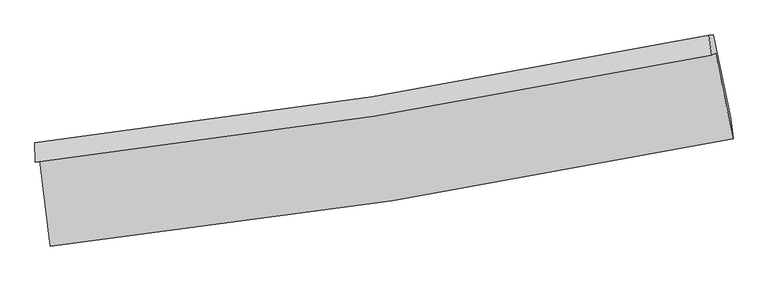
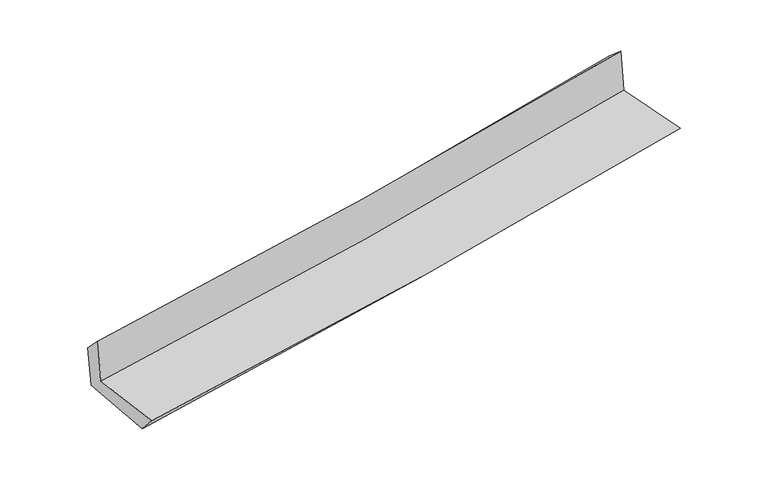
"""IFC4 building model written with IfcOpenShell, lengths in millimetres: proxy geometry."""

from ifc_helpers import new_model, si_unit, frame, origin, place, context, project, spatial, source, transform, mapped, element, save
from ifc_brep_helpers import plane_surface, spline_curve, spline_surface, advanced_brep


def generic_models_3633da69(model_context):
    return source(origin(), model_context, "Body", "AdvancedBrep", [
        advanced_brep(
        [(-2612.6505309, -1891.8571781, 1671.9089814), (-2534.0618765, -2547.6997019, 1665.0259046), (2692.8163699, -1725.4305657, 2119.2225984), (2558.5484526, -1073.770672, 2132.3073186), (-2647.1581754, -1907.03575, 2073.7515038), (2524.9662635, -1088.542172, 2523.372886), (-2651.1085243, -1757.1396898, 1920.2686014), (2506.4941006, -936.287856, 2388.6059122), (-2618.1816608, -1752.6964058, 1550.0426029), (2539.3037164, -931.8404052, 2028.3180641), (-2536.5614966, -2405.2060345, 1505.2270862), (2673.3884349, -1570.4650525, 1988.7538678)],
        [
            (0, 1),
            (1, 2, spline_curve(3, [(-2534.0618765, -2547.6997019, 1665.0259046), (-1658.433454933, -2452.745552269, 1746.35385358), (-785.811933264, -2336.904419853, 1824.805638932), (956.502186946, -2062.963160082, 1976.224978641), (1826.173413865, -1904.714580334, 2049.172091457), (2692.8163699, -1725.4305657, 2119.2225984)], [4, 2, 4], [0.0, 8.653879604452786, 17.338458028893])),
            (2, 3),
            (3, 0, spline_curve(3, [(2558.5484526, -1073.770672, 2132.3073186), (1700.706721036, -1246.891810166, 2057.780942049), (840.084698412, -1401.714619992, 1982.081221767), (-883.66791703, -1674.280986278, 1828.606828606), (-1746.77888897, -1792.153678669, 1750.840436885), (-2612.6505309, -1891.8571781, 1671.9089814)], [4, 2, 4], [0.0, 8.684578424440215, 17.338458028893])),
            (4, 0),
            (3, 5),
            (5, 4, spline_curve(3, [(2524.9662635, -1088.542172, 2523.372886), (1666.663355414, -1261.866164011, 2454.216924008), (805.733758337, -1416.824263658, 2382.09891902), (-918.326258482, -1689.525843807, 2232.20422108), (-1781.438141134, -1807.398936647, 2154.448431932), (-2647.1581754, -1907.03575, 2073.7515038)], [4, 2, 4], [0.0, 8.639141033318461, 17.247743861733216])),
            (6, 4),
            (5, 7),
            (7, 6, spline_curve(3, [(2506.4941006, -936.287856, 2388.6059122), (1651.269810309, -1111.37130279, 2312.384611787), (793.091236733, -1267.404790503, 2235.175004005), (-926.130487177, -1540.887628097, 2079.055592338), (-1787.152788662, -1658.47141879, 2000.152763223), (-2651.1085243, -1757.1396898, 1920.2686014)], [4, 2, 4], [0.0, 8.62919660552562, 17.227890158366073])),
            (8, 6),
            (7, 9),
            (9, 8, spline_curve(3, [(2539.3037164, -931.8404052, 2028.3180641), (1684.405744379, -1106.888507303, 1947.078011789), (826.39984623, -1262.90470246, 1866.532356213), (-892.783879552, -1536.389056455, 1707.112103276), (-1753.939773804, -1653.9915284, 1628.23260494), (-2618.1816608, -1752.6964058, 1550.0426029)], [4, 2, 4], [0.0, 8.619829031511475, 17.20918812345558])),
            (10, 8),
            (9, 11),
            (11, 10, spline_curve(3, [(2673.3884349, -1570.4650525, 1988.7538678), (1809.046207819, -1743.289943934, 1906.955039749), (941.939001362, -1899.35768451, 1825.691329876), (-794.730488649, -2177.48641944, 1664.519512666), (-1664.273259639, -2299.66567289, 1584.607628451), (-2536.5614966, -2405.2060345, 1505.2270862)], [4, 2, 4], [0.0, 8.664757676937477, 17.298886597571663])),
            (1, 10),
            (11, 2),
        ],
        [
            spline_surface(3, 3, [[(-2612.6505309, -1891.8571781, 1671.9089814), (-1746.778889084, -1792.153678659, 1750.840436771), (-883.667917148, -1674.280986345, 1828.606828701), (840.08469853, -1401.714619924, 1982.081221672), (1700.70672108, -1246.891810244, 2057.780942132), (2558.5484526, -1073.770672, 2132.3073186)], [(-2586.454312765, -2110.471352677, 1669.614622469), (-1717.330411051, -2012.350969848, 1749.344909051), (-851.049255828, -1895.155464233, 1827.339765387), (878.890527967, -1622.130799944, 1980.129140691), (1742.528951996, -1466.166066894, 2054.911325257), (2603.304425034, -1290.990636567, 2127.945745202)], [(-2560.258094635, -2329.085527323, 1667.320263531), (-1687.881933024, -2232.548261104, 1747.849381325), (-818.430594494, -2116.029942092, 1826.072702116), (917.696357419, -1842.546979935, 1978.177059753), (1784.35118291, -1685.440323543, 2052.041708376), (2648.060397466, -1508.210601133, 2123.584171798)], [(-2534.0618765, -2547.6997019, 1665.0259046), (-1658.433454991, -2452.745552292, 1746.353853605), (-785.811933174, -2336.90441998, 1824.805638802), (956.502186856, -2062.963159954, 1976.224978772), (1826.173413827, -1904.714580193, 2049.172091501), (2692.8163699, -1725.4305657, 2119.2225984)]], [4, 4], [4, 2, 4], [0.0, 2.200034138390624], [0.0, 8.653879604452786, 17.338458028893]),
            spline_surface(3, 3, [[(-2647.1581754, -1907.03575, 2073.7515038), (-1781.438141008, -1807.398936773, 2154.448432024), (-918.326258475, -1689.525843848, 2232.204221087), (805.73375833, -1416.824263617, 2382.098919013), (1666.66335542, -1261.866163892, 2454.216923972), (2524.9662635, -1088.542172, 2523.372886)], [(-2635.655627246, -1901.976226049, 1939.803996346), (-1769.885057046, -1802.317184084, 2019.912433618), (-906.773478013, -1684.444224657, 2097.671756953), (817.184071749, -1411.787715696, 2248.759686561), (1678.011143963, -1256.87471268, 2322.071596687), (2536.160326523, -1083.618338671, 2393.017696861)], [(-2624.153079054, -1896.916702051, 1805.856488854), (-1758.331973046, -1797.235431348, 1885.376435176), (-895.22069761, -1679.362605536, 1963.139292835), (828.634385111, -1406.751167846, 2115.420454124), (1689.358932537, -1251.883261456, 2189.926269418), (2547.354389577, -1078.694505329, 2262.662507739)], [(-2612.6505309, -1891.8571781, 1671.9089814), (-1746.778889084, -1792.153678659, 1750.840436771), (-883.667917148, -1674.280986345, 1828.606828701), (840.08469853, -1401.714619924, 1982.081221672), (1700.70672108, -1246.891810244, 2057.780942132), (2558.5484526, -1073.770672, 2132.3073186)]], [4, 4], [4, 2, 4], [0.0, 1.3240336209538945], [0.0, 8.608602828414755, 17.247743861733216]),
            spline_surface(3, 3, [[(-2651.1085243, -1757.1396898, 1920.2686014), (-1787.152788773, -1658.471418671, 2000.152763268), (-926.130487238, -1540.887628221, 2079.055592351), (793.091236795, -1267.404790379, 2235.175003992), (1651.269810243, -1111.371302849, 2312.384611867), (2506.4941006, -936.287856, 2388.6059122)], [(-2649.791741324, -1807.105043212, 1971.429568842), (-1785.247906176, -1708.113924717, 2051.584652829), (-923.529077641, -1590.433700113, 2130.105135265), (797.305410649, -1317.211281474, 2284.149642335), (1656.400991991, -1161.536256511, 2359.662049245), (2512.651488256, -987.039294647, 2433.52823681)], [(-2648.474958376, -1857.070396588, 2022.590536358), (-1783.343023605, -1757.756430728, 2103.016542463), (-920.927668072, -1639.979771956, 2181.154678173), (801.519584475, -1367.017772522, 2333.124280671), (1661.532173672, -1211.701210231, 2406.939486594), (2518.808875844, -1037.790733353, 2478.45056139)], [(-2647.1581754, -1907.03575, 2073.7515038), (-1781.438141008, -1807.398936773, 2154.448432024), (-918.326258475, -1689.525843848, 2232.204221087), (805.73375833, -1416.824263617, 2382.098919013), (1666.66335542, -1261.866163892, 2454.216923972), (2524.9662635, -1088.542172, 2523.372886)]], [4, 4], [4, 2, 4], [0.0, 0.6945955214487185], [0.0, 8.598693552840453, 17.227890158366073]),
            spline_surface(3, 3, [[(-2618.1816608, -1752.6964058, 1550.0426029), (-1753.939773945, -1653.991528457, 1628.232604799), (-892.783879535, -1536.389056548, 1707.112103135), (826.399846213, -1262.904702367, 1866.532356354), (1684.405744242, -1106.888507379, 1947.078011732), (2539.3037164, -931.8404052, 2028.3180641)], [(-2629.157281971, -1754.177500456, 1673.451269084), (-1765.010778892, -1655.484825184, 1752.205990973), (-903.899415452, -1537.888580449, 1831.093266201), (815.296976391, -1264.404731714, 1989.413238895), (1673.360432917, -1108.382772533, 2068.846878439), (2528.367177808, -933.322888798, 2148.414013462)], [(-2640.132903129, -1755.658595144, 1796.859935216), (-1776.081783827, -1656.978121943, 1876.179377094), (-915.014951321, -1539.38810432, 1955.074429285), (804.194106617, -1265.904761032, 2112.294121452), (1662.315121568, -1109.877037695, 2190.61574516), (2517.430639192, -934.805372402, 2268.509962838)], [(-2651.1085243, -1757.1396898, 1920.2686014), (-1787.152788773, -1658.471418671, 2000.152763268), (-926.130487238, -1540.887628221, 2079.055592351), (793.091236795, -1267.404790379, 2235.175003992), (1651.269810243, -1111.371302849, 2312.384611867), (2506.4941006, -936.287856, 2388.6059122)]], [4, 4], [4, 2, 4], [0.0, 1.219853093767105], [0.0, 8.589359091944104, 17.20918812345558]),
            spline_surface(3, 3, [[(-2536.5614966, -2405.2060345, 1505.2270862), (-1664.273259517, -2299.66567285, 1584.607628327), (-794.730488784, -2177.486419379, 1664.519512571), (941.939001497, -1899.357684571, 1825.691329971), (1809.04620793, -1743.289944013, 1906.95503961), (2673.3884349, -1570.4650525, 1988.7538678)], [(-2563.768217998, -2187.702824934, 1520.165591769), (-1694.162097658, -2084.440958053, 1599.149287153), (-827.41495237, -1963.787298422, 1678.717042783), (903.425949732, -1687.20669049, 1839.305005456), (1767.499386683, -1531.156131803, 1920.329363672), (2628.693528716, -1357.590170068, 2001.941933255)], [(-2590.974939402, -1970.199615366, 1535.104097331), (-1724.050935805, -1869.216243253, 1613.690945972), (-860.099415948, -1750.088177505, 1692.914572923), (864.912897977, -1475.055696448, 1852.918680869), (1725.952565489, -1319.022319589, 1933.70368767), (2583.998622584, -1144.715287632, 2015.129998645)], [(-2618.1816608, -1752.6964058, 1550.0426029), (-1753.939773945, -1653.991528457, 1628.232604799), (-892.783879535, -1536.389056548, 1707.112103135), (826.399846213, -1262.904702367, 1866.532356354), (1684.405744242, -1106.888507379, 1947.078011732), (2539.3037164, -931.8404052, 2028.3180641)]], [4, 4], [4, 2, 4], [0.0, 2.129200218951481], [0.0, 8.634128920634186, 17.298886597571663]),
            spline_surface(3, 3, [[(-2534.0618765, -2547.6997019, 1665.0259046), (-1658.433454991, -2452.745552292, 1746.353853605), (-785.811933174, -2336.90441998, 1824.805638802), (956.502186856, -2062.963159954, 1976.224978772), (1826.173413827, -1904.714580193, 2049.172091501), (2692.8163699, -1725.4305657, 2119.2225984)], [(-2534.895083197, -2500.201812772, 1611.75963179), (-1660.380056496, -2401.718925816, 1692.438445169), (-788.784785049, -2283.765086448, 1771.376930057), (951.647791731, -2008.428001494, 1926.047095837), (1820.464345192, -1850.906368149, 2001.766407514), (2686.340391564, -1673.775394649, 2075.73302151)], [(-2535.728289903, -2452.703923628, 1558.49335901), (-1662.326658012, -2350.692299326, 1638.523036763), (-791.757636909, -2230.625752912, 1717.948221316), (946.793396622, -1953.892843031, 1875.869212906), (1814.755276565, -1797.098156057, 1954.360723597), (2679.864413236, -1622.120223551, 2032.24344469)], [(-2536.5614966, -2405.2060345, 1505.2270862), (-1664.273259517, -2299.66567285, 1584.607628327), (-794.730488784, -2177.486419379, 1664.519512571), (941.939001497, -1899.357684571, 1825.691329971), (1809.04620793, -1743.289944013, 1906.95503961), (2673.3884349, -1570.4650525, 1988.7538678)]], [4, 4], [4, 2, 4], [0.0, 0.7363520651406382], [0.0, 8.688654184301893, 17.408130548126557]),
            plane_surface(frame((2582.586223, -1221.0561206, 2196.7634412), z_axis=(0.9756957525086065, 0.19919878931547685, 0.09131068322990771), x_axis=(-0.09068289485890545, -0.01229236317043899, 0.99580395178353))),
            plane_surface(frame((-2599.9537107, -2043.6057933, 1731.0374467), z_axis=(-0.9890339852321958, -0.11757653088908815, -0.08937301292788634), x_axis=(-0.1189709378247682, 0.9928430598987142, 0.010419902305360468))),
        ],
        [
            (0, [[1, 2, 3, 4]]),
            (1, [[5, -4, 6, 7]]),
            (2, [[8, -7, 9, 10]]),
            (3, [[11, -10, 12, 13]]),
            (4, [[14, -13, 15, 16]]),
            (5, [[17, -16, 18, -2]]),
            (6, [[-12, -9, -6, -3, -18, -15]]),
            (7, [[-1, -5, -8, -11, -14, -17]]),
        ],
    ),
    ])


if __name__ == "__main__":
    model = new_model("IFC4")
    model_context = context("Model", 3, world=origin())
    ifc_project = project(units=[si_unit("LENGTHUNIT", "METRE", prefix="MILLI")], contexts=[model_context])
    site = spatial("IfcSite", under=ifc_project)
    building = spatial("IfcBuilding", under=site)
    placement = place(None, origin())
    generic_models_shape = generic_models_3633da69(model_context)
    element("IfcBuildingElementProxy", 1, Name="Generic Models", at=placement, inside=building, context=model_context, shape_type="MappedRepresentation", body=[
        mapped(generic_models_shape, transform((0.0, 0.0, 0.0), x_axis=(1.0, 0.0, 0.0), y_axis=(0.0, 1.0, 0.0), z_axis=(0.0, 0.0, 1.0))),
    ])
    save(model, "model.ifc")
